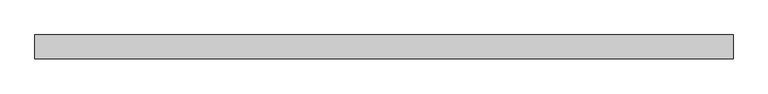
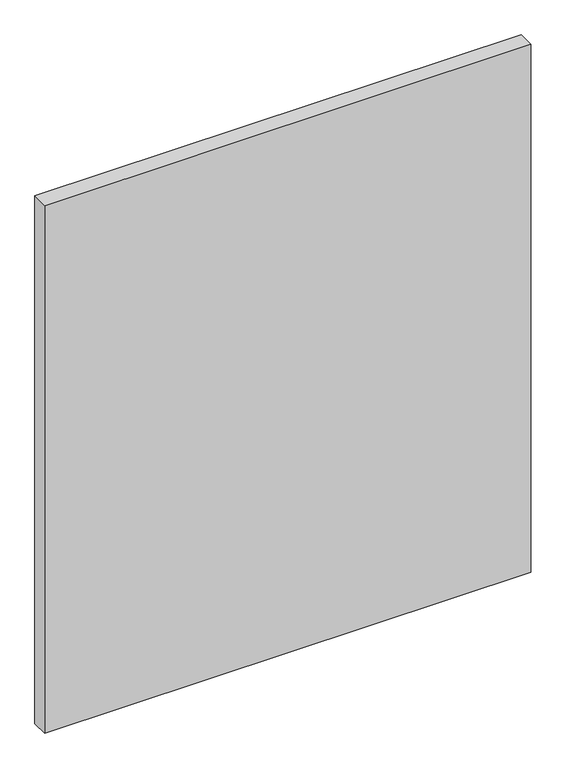
"""IFC4 building model written with IfcOpenShell, lengths in millimetres: plate geometry."""

from ifc_helpers import new_model, si_unit, origin, origin_with_axes, place, context, project, spatial, polyline, outline, extrude, source, transform, mapped, element, save


def plate_fda47220(model_context):
    return source(origin(), model_context, "Body", "SweptSolid", [
        extrude(outline(polyline([(510.0625, -17.5), (-510.0625, -17.5), (-510.0625, 17.5), (510.0625, 17.5), (510.0625, -17.5)])), origin_with_axes(), (0.0, 0.0, 1.0), 1170.0),
    ])


if __name__ == "__main__":
    model = new_model("IFC4")
    model_context = context("Model", 3, world=origin())
    ifc_project = project(units=[si_unit("LENGTHUNIT", "METRE", prefix="MILLI")], contexts=[model_context])
    site = spatial("IfcSite", under=ifc_project)
    building = spatial("IfcBuilding", under=site)
    placement = place(None, origin())
    plate_shape = plate_fda47220(model_context)
    element("IfcPlate", 1, at=placement, inside=building, context=model_context, shape_type="MappedRepresentation", body=[
        mapped(plate_shape, transform((0.0, 0.0, 0.0), x_axis=(1.0, 0.0, 0.0), y_axis=(0.0, 1.0, 0.0), z_axis=(0.0, 0.0, 1.0))),
    ])
    save(model, "model.ifc")
